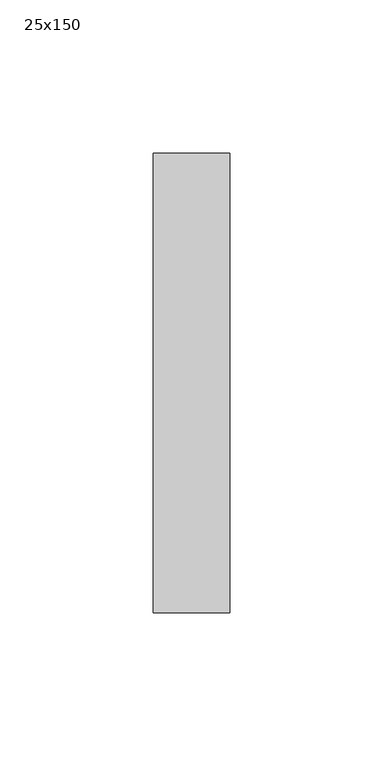
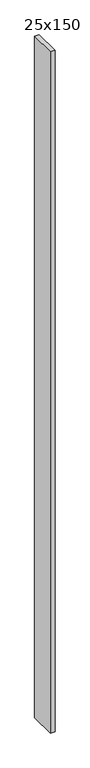
"""IFC4 building model written with IfcOpenShell, lengths in millimetres: member geometry, 25x150."""

from ifc_helpers import new_model, si_unit, frame, origin, place, context, project, spatial, polyline, outline, extrude, source, transform, mapped, element, save


def member_25x150_64c6ad17(model_context):
    return source(origin(), model_context, "Body", "SweptSolid", [
        extrude(outline(polyline([(0.0, 75.0), (0.0, -75.0), (-25.0, -75.0), (-25.0, 75.0), (0.0, 75.0)])), frame((0.0, 0.0, -3975.0), z_axis=(0.0, 0.0, 1.0), x_axis=(1.0, 0.0, 0.0)), (0.0, 0.0, 1.0), 3975.0),
    ])


if __name__ == "__main__":
    model = new_model("IFC4")
    model_context = context("Model", 3, world=origin())
    ifc_project = project(units=[si_unit("LENGTHUNIT", "METRE", prefix="MILLI")], contexts=[model_context])
    site = spatial("IfcSite", under=ifc_project)
    building = spatial("IfcBuilding", under=site)
    placement = place(None, origin())
    member_25x150_shape = member_25x150_64c6ad17(model_context)
    element("IfcMember", 1, ObjectType="25x150", at=placement, inside=building, context=model_context, shape_type="MappedRepresentation", body=[
        mapped(member_25x150_shape, transform((0.0, 0.0, 0.0), x_axis=(1.0, 0.0, 0.0), y_axis=(0.0, 1.0, 0.0), z_axis=(0.0, 0.0, 1.0))),
    ])
    save(model, "model.ifc")
